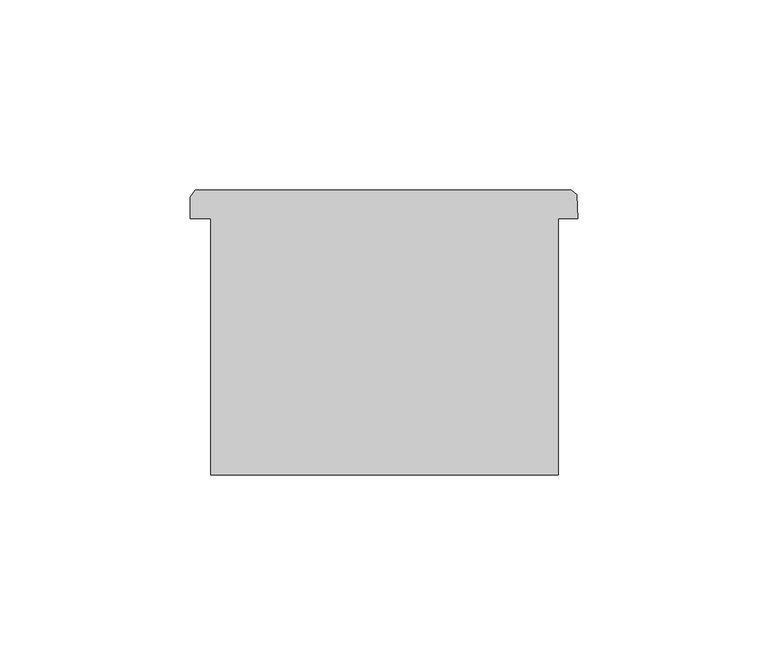
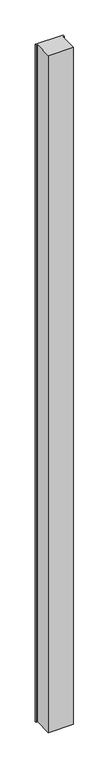
"""IFC4 building model written with IfcOpenShell, lengths in millimetres: column geometry."""

from ifc_helpers import new_model, si_unit, frame, origin, place, context, project, spatial, polyline, outline, extrude, source, transform, mapped, element, save


def column_70c6a58a(model_context):
    return source(origin(), model_context, "Body", "SweptSolid", [
        extrude(outline(polyline([(70360.9765752, -39393.0745538), (70355.8853992, -39393.0745538), (70355.8853992, -39460.3634718), (70264.6847688, -39460.3634718), (70264.6847688, -39393.0745538), (70259.3765752, -39393.0745538), (70259.3765752, -39387.3818804), (70260.6168064, -39385.6083508), (70359.333246, -39385.6083508), (70360.8215336, -39386.6935658), (70360.9765752, -39393.0745538)])), frame((0.0, 0.0, 4419.601524), z_axis=(0.0, 0.0, 1.0), x_axis=(1.0, 0.0, 0.0)), (0.0, 0.0, 1.0), 2590.8000562),
        extrude(outline(polyline([(70360.9765752, -39393.0745538), (70355.8853992, -39393.0745538), (70355.8853992, -39460.3634718), (70264.6847688, -39460.3634718), (70264.6847688, -39393.0745538), (70259.3765752, -39393.0745538), (70259.3765752, -39387.3818804), (70260.6168064, -39385.6083508), (70359.333246, -39385.6083508), (70360.8215336, -39386.6935658), (70360.9765752, -39393.0745538)])), frame((0.0, 0.0, 4419.601524), z_axis=(0.0, 0.0, 1.0), x_axis=(1.0, 0.0, 0.0)), (0.0, 0.0, 1.0), 2590.8000562),
    ])


if __name__ == "__main__":
    model = new_model("IFC4")
    model_context = context("Model", 3, world=origin())
    ifc_project = project(units=[si_unit("LENGTHUNIT", "METRE", prefix="MILLI")], contexts=[model_context])
    site = spatial("IfcSite", under=ifc_project)
    building = spatial("IfcBuilding", under=site)
    placement = place(None, origin())
    column_shape = column_70c6a58a(model_context)
    element("IfcColumn", 1, at=placement, inside=building, context=model_context, shape_type="MappedRepresentation", body=[
        mapped(column_shape, transform((0.0, 0.0, 0.0), x_axis=(1.0, 0.0, 0.0), y_axis=(0.0, 1.0, 0.0), z_axis=(0.0, 0.0, 1.0))),
    ])
    save(model, "model.ifc")
